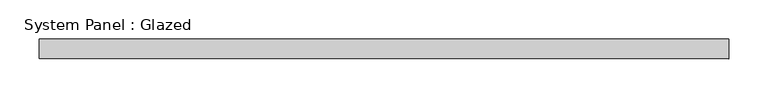
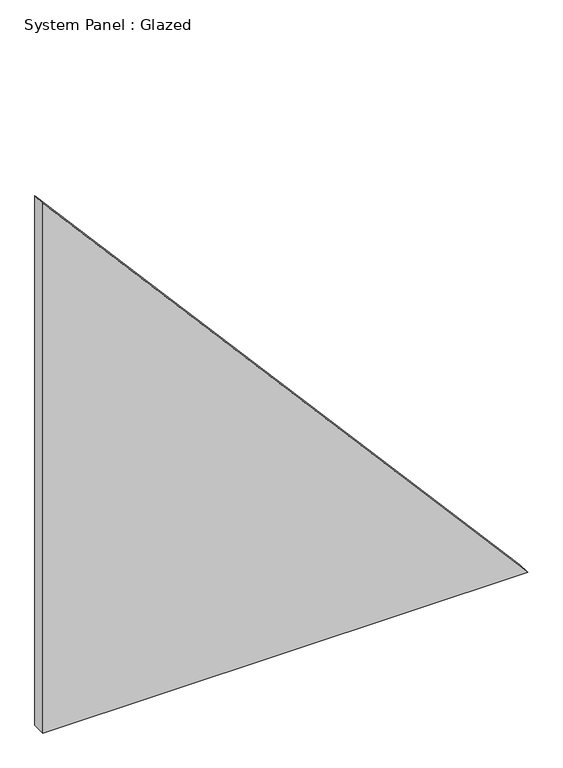
"""IFC4 building model written with IfcOpenShell, lengths in millimetres: plate geometry, System Panel : Glazed."""

from ifc_helpers import new_model, si_unit, frame, origin, place, context, project, spatial, polyline, outline, extrude, source, transform, mapped, element, save


def system_panel_glazed_da803f5a(model_context):
    return source(origin(), model_context, "Body", "SweptSolid", [
        extrude(outline(polyline([(0.0, -438.7325643), (0.0, 438.7325643), (1013.2094564, -438.7325643), (0.0, -438.7325643)])), frame((0.0, 24.5, 0.0), z_axis=(0.0, 1.0, 0.0), x_axis=(0.0, 0.0, 1.0)), (0.0, 0.0, 1.0), 25.0),
    ])


if __name__ == "__main__":
    model = new_model("IFC4")
    model_context = context("Model", 3, world=origin())
    ifc_project = project(units=[si_unit("LENGTHUNIT", "METRE", prefix="MILLI")], contexts=[model_context])
    site = spatial("IfcSite", under=ifc_project)
    building = spatial("IfcBuilding", under=site)
    placement = place(None, origin())
    system_panel_glazed_shape = system_panel_glazed_da803f5a(model_context)
    element("IfcPlate", 1, ObjectType="System Panel : Glazed", at=placement, inside=building, context=model_context, shape_type="MappedRepresentation", body=[
        mapped(system_panel_glazed_shape, transform((0.0, 0.0, 0.0), x_axis=(1.0, 0.0, 0.0), y_axis=(0.0, 1.0, 0.0), z_axis=(0.0, 0.0, 1.0))),
    ])
    save(model, "model.ifc")
